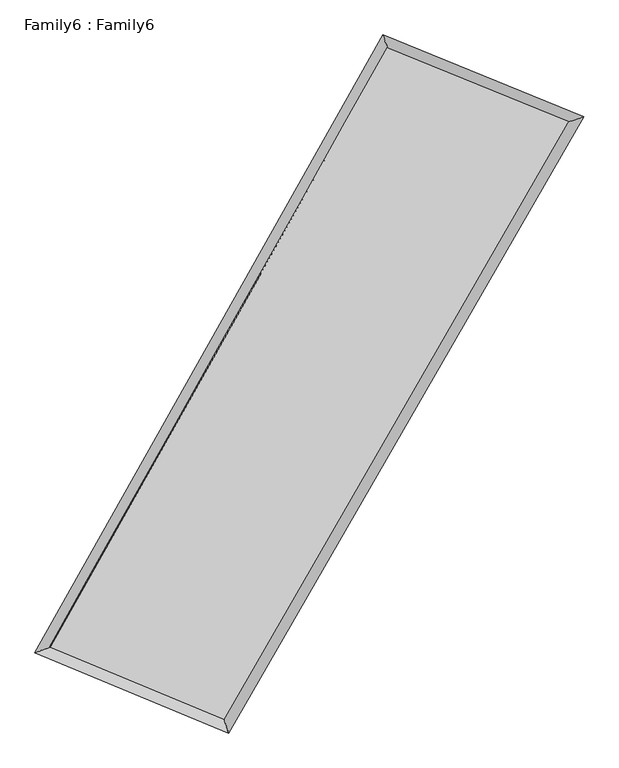
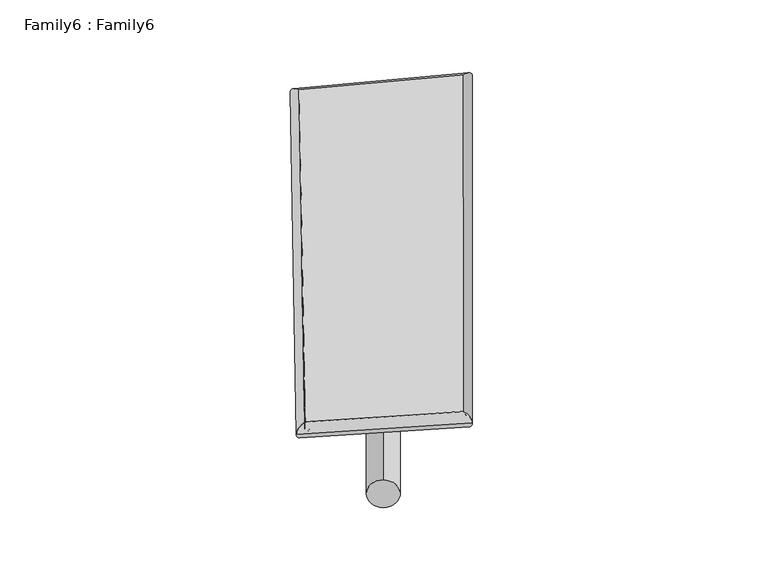
"""IFC4 building model written with IfcOpenShell, lengths in millimetres: plate geometry, Family6 : Family6."""

import ifcopenshell
import ifcopenshell.guid

model = None  # the IFC model being written
_history = None  # IfcOwnerHistory: only IFC2X3 demands one
_inside = {}  # id of a spatial element -> (the spatial element, [elements in it])
_under = {}  # id of a project, library or spatial element -> (it, [spatial elements below it])
_declared = {}  # id of a project -> (the project, [libraries it declares])
_typed = {}  # id of a type object -> (the type object, [elements of that type])
_made_of = {}  # id of a material, layer set ... -> (it, [elements and type objects made of it])


def new_model(schema):
    """Start an empty IFC model of exactly this schema.

    Asked for "IFC4X3", IfcOpenShell would pick the latest addendum, in which some entities
    have other attributes; the version numbers below select the first issue.
    IFC2X3 requires an IfcOwnerHistory on every rooted entity: one is made here for all.
    """
    global model, _history
    if schema == "IFC4X3":
        model = ifcopenshell.file(schema_version=(4, 3, 0, 0))
    else:
        model = ifcopenshell.file(schema=schema)
    _inside.clear()
    _under.clear()
    _declared.clear()
    _typed.clear()
    _made_of.clear()
    _history = None
    if model.schema == "IFC2X3":
        org = make("IfcOrganization", Name="unknown")
        user = make(
            "IfcPersonAndOrganization",
            ThePerson=make("IfcPerson", FamilyName="unknown"),
            TheOrganization=org,
        )
        app = make(
            "IfcApplication",
            ApplicationDeveloper=org,
            Version="unknown",
            ApplicationFullName="unknown",
            ApplicationIdentifier="unknown",
        )
        _history = make(
            "IfcOwnerHistory",
            OwningUser=user,
            OwningApplication=app,
            ChangeAction="ADDED",
            CreationDate=0,
        )
    return model


def make(cls, **values):
    """One entity of the class cls with the attributes given. An attribute that is None is left unset."""
    return model.create_entity(
        cls, **{name: value for name, value in values.items() if value is not None}
    )


def rooted(cls, **values):
    """An entity with a GlobalId (a new one), such as an element, a storey or a relation."""
    return make(cls, GlobalId=ifcopenshell.guid.new(), OwnerHistory=_history, **values)


def si_unit(unit_type, name, prefix=None):
    """IfcSIUnit, for example si_unit("LENGTHUNIT", "METRE", prefix="MILLI")."""
    return make("IfcSIUnit", UnitType=unit_type, Prefix=prefix, Name=name)


def assignment(units):
    """IfcUnitAssignment: the units of a project."""
    return None if units is None else make("IfcUnitAssignment", Units=units)


def point(xyz):
    """IfcCartesianPoint."""
    return None if xyz is None else make("IfcCartesianPoint", Coordinates=xyz)


def direction(xyz):
    """IfcDirection."""
    return None if xyz is None else make("IfcDirection", DirectionRatios=xyz)


def frame(location, z_axis=None, x_axis=None):
    """IfcAxis2Placement3D, a coordinate frame: its origin and axes. An axis left out is left unset."""
    return make(
        "IfcAxis2Placement3D",
        Location=point(location),
        Axis=direction(z_axis),
        RefDirection=direction(x_axis),
    )


def frame_2d(location, x_axis=None):
    """IfcAxis2Placement2D, a coordinate frame in the plane: its origin and x axis."""
    return make(
        "IfcAxis2Placement2D", Location=point(location), RefDirection=direction(x_axis)
    )


def origin():
    """The frame at (0, 0, 0) with its axes left unset."""
    return frame((0.0, 0.0, 0.0))


def origin_2d():
    """The frame at (0, 0) in the plane with its x axis left unset."""
    return frame_2d((0.0, 0.0))


def place(relative_to, where):
    """IfcLocalPlacement: puts the frame where relative to a parent placement (None: the world)."""
    return make(
        "IfcLocalPlacement", PlacementRelTo=relative_to, RelativePlacement=where
    )


def context(
    kind, dimensions, precision=None, world=None, true_north=None, identifier=None
):
    """IfcGeometricRepresentationContext, for example the 3D "Model" context."""
    return make(
        "IfcGeometricRepresentationContext",
        ContextIdentifier=identifier,
        ContextType=kind,
        CoordinateSpaceDimension=dimensions,
        Precision=precision,
        WorldCoordinateSystem=world,
        TrueNorth=true_north,
    )


def project(units=None, contexts=None):
    """IfcProject with its units and contexts."""
    return rooted(
        "IfcProject",
        Name="project",
        RepresentationContexts=contexts,
        UnitsInContext=assignment(units),
    )


def spatial(cls, under=None, at=None, **own):
    """A site, building, storey or space (cls), placed at a placement, below another one or the project."""
    s = rooted(cls, ObjectPlacement=at, **own)
    if under is not None:
        _under.setdefault(under.id(), (under, []))[1].append(s)
    return s


def circle_curve(where, radius):
    """IfcCircle in the frame where."""
    return make("IfcCircle", Position=where, Radius=radius)


def ellipse_curve(where, semi_axis1, semi_axis2):
    """IfcEllipse in the frame where."""
    return make(
        "IfcEllipse", Position=where, SemiAxis1=semi_axis1, SemiAxis2=semi_axis2
    )


def trimmed(basis, trim1, trim2, sense, master):
    """IfcTrimmedCurve: the piece of a basis curve between two trims."""
    return make(
        "IfcTrimmedCurve",
        BasisCurve=basis,
        Trim1=trim1,
        Trim2=trim2,
        SenseAgreement=sense,
        MasterRepresentation=master,
    )


def segment(curve, same_sense, transition):
    """IfcCompositeCurveSegment."""
    return make(
        "IfcCompositeCurveSegment",
        Transition=transition,
        SameSense=same_sense,
        ParentCurve=curve,
    )


def composite_curve(segments, self_intersect=None):
    """IfcCompositeCurve: segments joined end to end."""
    return make("IfcCompositeCurve", Segments=segments, SelfIntersect=self_intersect)


def outline(outer, holes=None, kind="AREA"):
    """IfcArbitraryClosedProfileDef: a profile drawn as a closed curve; with holes, ...WithVoids."""
    if holes is None:
        return make("IfcArbitraryClosedProfileDef", ProfileType=kind, OuterCurve=outer)
    return make(
        "IfcArbitraryProfileDefWithVoids",
        ProfileType=kind,
        OuterCurve=outer,
        InnerCurves=holes,
    )


def extrude(swept, where, along, depth):
    """IfcExtrudedAreaSolid: the profile swept, set in the frame where, extruded along a direction by depth."""
    return make(
        "IfcExtrudedAreaSolid",
        SweptArea=swept,
        Position=where,
        ExtrudedDirection=direction(along),
        Depth=depth,
    )


def shape(context_of_items, identifier, shape_type, items):
    """IfcShapeRepresentation: the items that make up one representation, for example the "Body"."""
    return make(
        "IfcShapeRepresentation",
        ContextOfItems=context_of_items,
        RepresentationIdentifier=identifier,
        RepresentationType=shape_type,
        Items=items,
    )


def source(mapping_origin, context_of_items, identifier, shape_type, items):
    """IfcRepresentationMap: a shape defined once, which mapped items show again and again."""
    return make(
        "IfcRepresentationMap",
        MappingOrigin=mapping_origin,
        MappedRepresentation=shape(context_of_items, identifier, shape_type, items),
    )


def transform(
    local_origin,
    x_axis=None,
    y_axis=None,
    z_axis=None,
    scale=None,
    scale2=None,
    scale3=None,
    uniform=True,
):
    """IfcCartesianTransformationOperator3D, or its non-uniform kind. x_axis, y_axis, z_axis: its Axis1, 2, 3."""
    if uniform:
        return make(
            "IfcCartesianTransformationOperator3D",
            Axis1=direction(x_axis),
            Axis2=direction(y_axis),
            LocalOrigin=point(local_origin),
            Scale=scale,
            Axis3=direction(z_axis),
        )
    return make(
        "IfcCartesianTransformationOperator3DnonUniform",
        Axis1=direction(x_axis),
        Axis2=direction(y_axis),
        LocalOrigin=point(local_origin),
        Scale=scale,
        Axis3=direction(z_axis),
        Scale2=scale2,
        Scale3=scale3,
    )


def mapped(mapping_source, mapping_target):
    """IfcMappedItem: shows the shape of a source again, moved by a transform."""
    return make(
        "IfcMappedItem", MappingSource=mapping_source, MappingTarget=mapping_target
    )


def made_of(thing, what):
    """Note that an element or type object is made of a material, layer set ...; save() writes the relation."""
    if what is not None:
        _made_of.setdefault(what.id(), (what, []))[1].append(thing)
    return thing


def element(
    cls,
    number,
    at=None,
    inside=None,
    cuts=None,
    type_object=None,
    material=None,
    context=None,
    identifier="Body",
    shape_type=None,
    held_by="IfcProductDefinitionShape",
    body=None,
    shapes=None,
    **own,
):
    """One element of the class cls, such as IfcWall. Its Tag is "e" and its number.

    at: its placement. inside: the storey or other place that contains it. cuts: it is an
    opening in that element (IfcRelVoidsElement). A single representation is given by context,
    identifier, shape_type and body (its items); several are given by shapes. held_by: the class
    of the entity that holds the representations. save() writes the other relations.
    """
    e = rooted(cls, Tag="e%d" % number, ObjectPlacement=at, **own)
    if body is not None:
        shapes = [shape(context, identifier, shape_type, body)]
    if shapes is not None:
        e.Representation = make(held_by, Representations=shapes)
    if inside is not None:
        _inside.setdefault(inside.id(), (inside, []))[1].append(e)
    if cuts is not None:
        rooted(
            "IfcRelVoidsElement", RelatingBuildingElement=cuts, RelatedOpeningElement=e
        )
    if type_object is not None:
        _typed.setdefault(type_object.id(), (type_object, []))[1].append(e)
    return made_of(e, material)


def aggregate(whole, parts):
    """IfcRelAggregates: a whole, such as a stair, and the parts it consists of."""
    return rooted("IfcRelAggregates", RelatingObject=whole, RelatedObjects=parts)


def save(model, path):
    """Write the relations noted so far, then the file.

    IfcRelAggregates (storeys below a building ...), IfcRelContainedInSpatialStructure (elements
    in a storey), IfcRelDefinesByType, IfcRelAssociatesMaterial and IfcRelDeclares: one each for
    every whole, place, type object, material and project.
    """
    for whole, parts in _under.values():
        aggregate(whole, parts)
    for where, things in _inside.values():
        rooted(
            "IfcRelContainedInSpatialStructure",
            RelatedElements=things,
            RelatingStructure=where,
        )
    for kind, things in _typed.values():
        rooted("IfcRelDefinesByType", RelatedObjects=things, RelatingType=kind)
    for what, things in _made_of.values():
        rooted("IfcRelAssociatesMaterial", RelatedObjects=things, RelatingMaterial=what)
    for by, libraries in _declared.values():
        rooted("IfcRelDeclares", RelatingContext=by, RelatedDefinitions=libraries)
    model.write(path)


def plane_surface(at):
    """IfcPlane: the flat surface through the origin of the frame at, square to its z axis."""
    return make("IfcPlane", Position=at)


def cylinder_surface(at, radius):
    """IfcCylindricalSurface: all points at the distance radius from the z axis of the frame at."""
    return make("IfcCylindricalSurface", Position=at, Radius=radius)


def spline_surface(u_degree, v_degree, points, u_multiplicities, v_multiplicities, u_knots, v_knots, weights=None):
    """IfcBSplineSurfaceWithKnots; with weights, IfcRationalBSplineSurfaceWithKnots. points: one row for each step in u."""
    own = dict(
        UDegree=u_degree,
        VDegree=v_degree,
        ControlPointsList=[[point(p) for p in row] for row in points],
        SurfaceForm="UNSPECIFIED",
        UClosed=False,
        VClosed=False,
        SelfIntersect=False,
        UMultiplicities=u_multiplicities,
        VMultiplicities=v_multiplicities,
        UKnots=u_knots,
        VKnots=v_knots,
        KnotSpec="UNSPECIFIED",
    )
    if weights is None:
        return make("IfcBSplineSurfaceWithKnots", **own)
    return make("IfcRationalBSplineSurfaceWithKnots", WeightsData=weights, **own)


def advanced_brep(points, edges, surfaces, faces):
    """IfcAdvancedBrep: a solid bounded by faces that lie on surfaces and meet in shared edges.

    An edge is (start, end): straight between two places in points (the first is 0);
    or (start, end, curve); or (start, end, curve, False) where it runs against its curve.
    A face is (place in surfaces, loops), or (place, loops, False) where it looks against
    its surface's normal. A loop lists edges by number (the first is 1), with a minus sign
    where the edge is run from its end to its start. The first loop is the outer one.
    """
    corners = [point(p) for p in points]
    vertices = [make("IfcVertexPoint", VertexGeometry=c) for c in corners]
    made = []
    for start, end, *more in edges:
        made.append(
            make(
                "IfcEdgeCurve",
                EdgeStart=vertices[start],
                EdgeEnd=vertices[end],
                EdgeGeometry=more[0] if more else make("IfcPolyline", Points=[corners[start], corners[end]]),
                SameSense=more[1] if len(more) > 1 else True,
            )
        )
    hull = []
    for where, loops, *sense in faces:
        bounds = []
        for j, loop in enumerate(loops):
            ring = [make("IfcOrientedEdge", EdgeElement=made[abs(k) - 1], Orientation=k > 0) for k in loop]
            bounds.append(
                make(
                    "IfcFaceOuterBound" if j == 0 else "IfcFaceBound",
                    Bound=make("IfcEdgeLoop", EdgeList=ring),
                    Orientation=True,
                )
            )
        hull.append(make("IfcAdvancedFace", Bounds=bounds, FaceSurface=surfaces[where], SameSense=sense[0] if sense else True))
    return make("IfcAdvancedBrep", Outer=make("IfcClosedShell", CfsFaces=hull))


def family6_family6_155e435e(model_context):
    return source(origin(), model_context, "Body", "SolidModel", [
        extrude(outline(composite_curve([segment(trimmed(circle_curve(origin_2d(), 76.2), [point((-75.4341514, -10.7763073))], [point((75.4341514, 10.7763073))], False, "CARTESIAN"), True, "CONTINUOUS"), segment(trimmed(circle_curve(origin_2d(), 76.2), [point((75.4341514, 10.7763073))], [point((-75.4341514, -10.7763073))], False, "CARTESIAN"), True, "CONTINUOUS")], self_intersect=False)), frame((9144.0, 9144.0, 0.0), z_axis=(0.6816993035111735, 0.6828937237839621, 0.26256850841038537), x_axis=(-0.6743044605492345, 0.7256887736794138, -0.13670880819857395)), (0.0, 0.0, 1.0), 5875.3221492),
        extrude(outline(composite_curve([segment(trimmed(circle_curve(origin_2d(), 76.2), [point((-53.8815367, 53.8815367))], [point((53.8815367, -53.8815367))], False, "CARTESIAN"), True, "CONTINUOUS"), segment(trimmed(circle_curve(origin_2d(), 76.2), [point((53.8815367, -53.8815367))], [point((-53.8815367, 53.8815367))], False, "CARTESIAN"), True, "CONTINUOUS")], self_intersect=False)), frame((9144.0, 9144.0, 0.0), z_axis=(-0.6758176724691404, -0.6881660160162513, 0.26400380296259846), x_axis=(0.6363168475145621, -0.36396231402390616, 0.6801707899781444)), (0.0, 0.0, 1.0), 5844.8608653),
        extrude(outline(composite_curve([segment(trimmed(circle_curve(origin_2d(), 76.2), [point((-53.8815367, -53.8815367))], [point((53.8815367, 53.8815367))], False, "CARTESIAN"), True, "CONTINUOUS"), segment(trimmed(circle_curve(origin_2d(), 76.2), [point((53.8815367, 53.8815367))], [point((-53.8815367, -53.8815367))], False, "CARTESIAN"), True, "CONTINUOUS")], self_intersect=False)), frame((9144.0, 9144.0, 0.0), z_axis=(0.2221116014361053, 0.9358526595980572, 0.2735804014009993), x_axis=(-0.848915428135909, 0.32363176567144325, -0.41785772234243856)), (0.0, 0.0, 1.0), 5496.9310035),
        extrude(outline(composite_curve([segment(trimmed(circle_curve(origin_2d(), 76.2), [point((-75.4341514, 10.7763073))], [point((75.4341514, -10.7763073))], False, "CARTESIAN"), True, "CONTINUOUS"), segment(trimmed(circle_curve(origin_2d(), 76.2), [point((75.4341514, -10.7763073))], [point((-75.4341514, 10.7763073))], False, "CARTESIAN"), True, "CONTINUOUS")], self_intersect=False)), frame((9144.0, 9144.0, 0.0), z_axis=(-0.2314593405644898, -0.9336393997007923, 0.27339357159925276), x_axis=(0.8906611887147547, -0.09031960393931844, 0.4456063465228753)), (0.0, 0.0, 1.0), 5498.3173657),
        advanced_brep(
        [(4976.7981689, 5046.9603431, 1540.7156386), (4976.7629386, 5046.9010512, 1546.6159213), (5411.0812993, 5196.5704252, 1545.4153539), (10431.7491292, 14096.6440726, 1507.3423963), (10298.1151672, 14479.990926, 1500.3627845), (5411.1165296, 5196.6297171, 1539.5150712), (12929.795999, 13080.9271411, 1542.1734659), (13368.6100351, 13231.5141007, 1543.1756804), (7806.2264813, 4202.5871497, 1503.8572155), (7936.4996953, 3818.521401, 1502.5520293)],
        [
            (0, 1, ellipse_curve(frame((5193.9397341, 5121.7653841, 1543.0654962), z_axis=(-0.3257767634743439, 0.9454165315170847, 0.007555283871998256), x_axis=(-0.9453503216330197, -0.32584725863758296, 0.011676190591040829)), 229.7476729, 152.4)),
            (1, 2, ellipse_curve(frame((5193.9397341, 5121.7653841, 1543.0654962), z_axis=(-0.3257767634743439, 0.9454165315170847, 0.007555283871998256), x_axis=(-0.9453503216330197, -0.32584725863758296, 0.011676190591040829)), 229.7476729, 152.4)),
            (2, 3),
            (3, 4, ellipse_curve(frame((10364.9321482, 14288.3174993, 1503.8525904), z_axis=(-0.9442180617987479, -0.32926400842100867, -0.006120827684707439), x_axis=(0.3291712720387257, -0.9441862429212579, 0.012594139218173754)), 203.0173998, 152.4)),
            (4, 0),
            (2, 5, ellipse_curve(frame((5193.9397341, 5121.7653841, 1543.0654962), z_axis=(-0.3257767634743439, 0.9454165315170847, 0.007555283871998256), x_axis=(-0.9453503216330197, -0.32584725863758296, 0.011676190591040829)), 229.7476729, 152.4)),
            (5, 0, ellipse_curve(frame((5193.9397341, 5121.7653841, 1543.0654962), z_axis=(-0.3257767634743439, 0.9454165315170847, 0.007555283871998256), x_axis=(-0.9453503216330197, -0.32584725863758296, 0.011676190591040829)), 229.7476729, 152.4)),
            (4, 3, ellipse_curve(frame((10364.9321482, 14288.3174993, 1503.8525904), z_axis=(-0.9442180617987479, -0.32926400842100867, -0.006120827684707439), x_axis=(0.3291712720387257, -0.9441862429212579, 0.012594139218173754)), 203.0173998, 152.4)),
            (3, 6),
            (6, 7, ellipse_curve(frame((13149.203017, 13156.2206209, 1542.6745732), z_axis=(-0.3245652674271401, 0.9458375121207123, -0.006984829650789004), x_axis=(-0.9457778556235895, -0.32462635629466324, -0.011044302191391298)), 231.9792931, 152.4)),
            (7, 4),
            (7, 6, ellipse_curve(frame((13149.203017, 13156.2206209, 1542.6745732), z_axis=(-0.3245652674271401, 0.9458375121207123, -0.006984829650789004), x_axis=(-0.9457778556235895, -0.32462635629466324, -0.011044302191391298)), 231.9792931, 152.4)),
            (6, 8),
            (8, 9, ellipse_curve(frame((7871.3630883, 4010.5542754, 1503.2046224), z_axis=(0.9469769181143357, 0.32123255087597036, -0.0066606918853625305), x_axis=(-0.3211278577402371, 0.946943101578736, 0.013253729875390126)), 202.7881153, 152.4)),
            (9, 7),
            (9, 8, ellipse_curve(frame((7871.3630883, 4010.5542754, 1503.2046224), z_axis=(0.9469769181143357, 0.32123255087597036, -0.0066606918853625305), x_axis=(-0.3211278577402371, 0.946943101578736, 0.013253729875390126)), 202.7881153, 152.4)),
            (8, 5),
            (1, 9),
        ],
        [
            cylinder_surface(frame((5193.9397341, 5121.7653841, 1543.0654962), z_axis=(-0.4913261999853022, -0.8709676706227841, 0.0037258472760246597), x_axis=(-0.8708419776477442, 0.49117136409053647, -0.019619914984714843)), 152.4),
            cylinder_surface(frame((10364.9321482, 14288.3174993, 1503.8525904), z_axis=(-0.9262747815390193, 0.37662743249065084, -0.012915346698491662), x_axis=(0.37677178274393136, 0.9262343271154149, -0.011532345859125553)), 152.4),
            cylinder_surface(frame((13149.203017, 13156.2206209, 1542.6745732), z_axis=(0.49982510935302393, 0.8661182875998131, 0.003737906553813645), x_axis=(0.8661257747701055, -0.49982510935302393, -0.0010011688778926843)), 152.4),
            cylinder_surface(frame((7871.3630883, 4010.5542754, 1503.2046224), z_axis=(0.9235253873443503, -0.3832907739629153, -0.013749237265291743), x_axis=(-0.3832164992103778, -0.9236257299500727, 0.00778625116072063)), 152.4),
        ],
        [
            (0, [[1, 2, 3, 4, 5]]),
            (0, [[6, 7, -5, 8, -3]]),
            (1, [[-4, 9, 10, 11]]),
            (1, [[-8, -11, 12, -9]]),
            (2, [[-10, 13, 14, 15]]),
            (2, [[-12, -15, 16, -13]]),
            (3, [[-14, 17, -6, -2, 18]]),
            (3, [[-16, -18, -1, -7, -17]]),
        ],
    ),
        extrude(outline(composite_curve([segment(trimmed(circle_curve(origin_2d(), 304.8), [point((0.0, 304.8))], [point((0.0, -304.8))], False, "CARTESIAN"), True, "CONTINUOUS"), segment(trimmed(circle_curve(origin_2d(), 304.8), [point((0.0, -304.8))], [point((0.0, 304.8))], False, "CARTESIAN"), True, "CONTINUOUS")], self_intersect=False)), frame((11782.5400271, 13732.6961921, -0.0211422), z_axis=(-0.4984767631881278, -0.8669030606391545, 3.994221837178134e-06), x_axis=(-0.8669030606477001, 0.49847676318812784, -1.066486426011988e-06)), (0.0, 0.0, 1.0), 10586.4113313),
        advanced_brep(
        [(5193.9397341, 5121.7653841, 1543.0654962), (7871.3630883, 4010.5542754, 1503.2046224), (7871.3543069, 4010.5564805, 1655.6046221), (5193.9309527, 5121.7675893, 1695.465496), (13149.203017, 13156.2206209, 1542.6745732), (13149.1942356, 13156.222826, 1695.0745729), (10364.9321482, 14288.3174993, 1503.8525904), (10364.9233668, 14288.3197044, 1656.2525902)],
        [
            (0, 1),
            (1, 2),
            (2, 3),
            (3, 0),
            (1, 4),
            (4, 5),
            (5, 2),
            (4, 6),
            (6, 7),
            (7, 5),
            (6, 0),
            (3, 7),
        ],
        [
            plane_surface(frame((6532.6514112, 4566.1598298, 1523.1350593), z_axis=(-0.38332711881211085, -0.9236126460303077, -8.723513466056543e-06), x_axis=(0.9235253873443505, -0.3832907739629146, -0.01374923726529176))),
            plane_surface(frame((10510.2830527, 8583.3874481, 1522.9395978), z_axis=(0.8661242301740523, -0.49982878532609315, 5.713884987923771e-05), x_axis=(0.4998251093530237, 0.8661182875998135, 0.0037379065538136413))),
            plane_surface(frame((11757.0675826, 13722.2690601, 1523.2635818), z_axis=(0.376658748993227, 0.9263520857308917, 8.299639640653618e-06), x_axis=(-0.9262747815390193, 0.37662743249065095, -0.012915346698491667))),
            plane_surface(frame((7779.4359411, 9705.0414417, 1523.4590433), z_axis=(-0.8709738195022895, 0.4913294235630934, -5.729530642939896e-05), x_axis=(-0.491326199985302, -0.8709676706227844, 0.0037258472760246628))),
            spline_surface(1, 1, [[(7871.3543069, 4010.5564805, 1655.6046221), (5193.9309527, 5121.7675893, 1695.465496)], [(13149.1942356, 13156.222826, 1695.0745729), (10364.9233668, 14288.3197044, 1656.2525902)]], [2, 2], [2, 2], [0.0, 1.0], [0.0, 1.0]),
            spline_surface(1, 1, [[(10364.9321482, 14288.3174993, 1503.8525904), (5193.9397341, 5121.7653841, 1543.0654962)], [(13149.203017, 13156.2206209, 1542.6745732), (7871.3630883, 4010.5542754, 1503.2046224)]], [2, 2], [2, 2], [0.0, 1.0], [0.0, 1.0]),
        ],
        [
            (0, [[1, 2, 3, 4]]),
            (1, [[5, 6, 7, -2]]),
            (2, [[8, 9, 10, -6]]),
            (3, [[11, -4, 12, -9]]),
            (4, [[-3, -7, -10, -12]]),
            (5, [[-11, -8, -5, -1]]),
        ],
    ),
    ])


if __name__ == "__main__":
    model = new_model("IFC4")
    model_context = context("Model", 3, world=origin())
    ifc_project = project(units=[si_unit("LENGTHUNIT", "METRE", prefix="MILLI")], contexts=[model_context])
    site = spatial("IfcSite", under=ifc_project)
    building = spatial("IfcBuilding", under=site)
    placement = place(None, origin())
    family6_family6_shape = family6_family6_155e435e(model_context)
    element("IfcPlate", 1, ObjectType="Family6 : Family6", at=placement, inside=building, context=model_context, shape_type="MappedRepresentation", body=[
        mapped(family6_family6_shape, transform((0.0, 0.0, 0.0), x_axis=(1.0, 0.0, 0.0), y_axis=(0.0, 1.0, 0.0), z_axis=(0.0, 0.0, 1.0))),
    ])
    save(model, "model.ifc")
